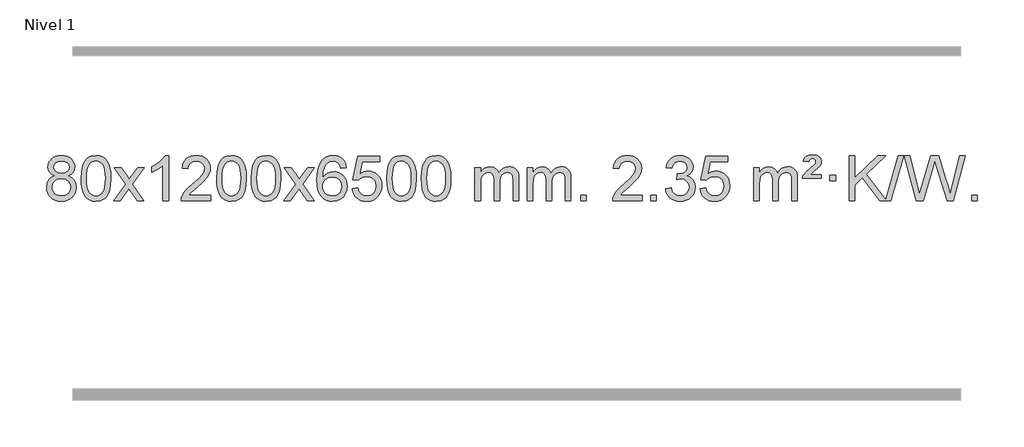
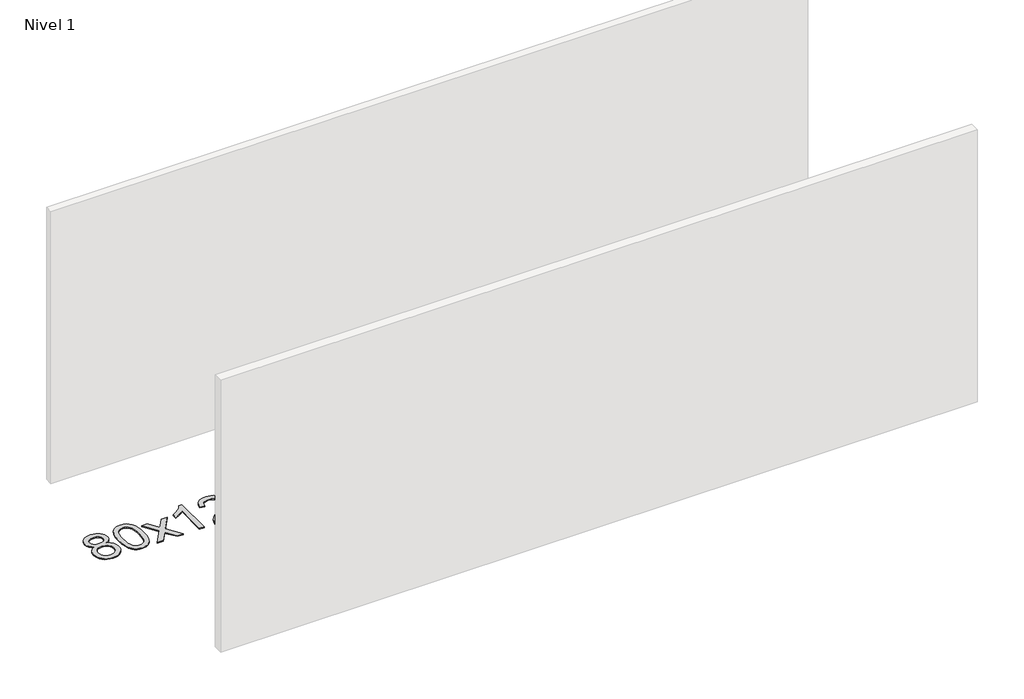
# One storey, part 13 of 16: 1 proxy.
"""IFC4 building model written with IfcOpenShell, lengths in millimetres."""

from ifc_helpers import new_model, si_unit, origin, origin_with_axes, place, context, project, spatial, polyline, outline, extrude, element, save

model = new_model("IFC4")

# Units and contexts
model_context = context("Model", 3, world=origin())
ifc_project = project(units=[si_unit("LENGTHUNIT", "METRE", prefix="MILLI")], contexts=[model_context])

# Site, building, storey
site = spatial("IfcSite", under=ifc_project)
building = spatial("IfcBuilding", under=site)
storey = spatial("IfcBuildingStorey", under=building, Name="Nivel 1", Elevation=0.0)

# Proxy
placement = place(None, origin())
element("IfcBuildingElementProxy", 1, Name="Texto de modelo 1", ObjectType="Texto de modelo 1", at=placement, inside=storey, context=model_context, shape_type="SweptSolid", body=[
    extrude(outline(polyline([(-390.6331687, -6178.2616447), (-417.5253426, -6165.0178929), (-436.3976889, -6147.0652515), (-447.5445134, -6124.7716026), (-451.2601215, -6098.5048281), (-449.2367706, -6078.0199324), (-443.1667176, -6059.2395565), (-433.0499628, -6042.1637006), (-418.886506, -6026.7923645), (-401.3569289, -6014.088173), (-381.1418132, -6005.0137504), (-358.241159, -5999.5690969), (-332.6549663, -5997.7542124), (-306.9461462, -5999.6120165), (-283.8738137, -6005.1854287), (-263.4379689, -6014.4744491), (-245.6386117, -6027.4790776), (-231.2176375, -6043.1508506), (-220.9169416, -6060.4413044), (-214.7365241, -6079.3504389), (-212.6763849, -6099.8782543), (-216.3429421, -6125.2989001), (-227.3426138, -6147.2124043), (-245.7980272, -6165.0546811), (-271.8318097, -6178.2616447), (-240.9174594, -6194.1909351), (-218.415344, -6217.6495436), (-204.6933456, -6247.5092989), (-200.1193462, -6282.6420295), (-202.3879518, -6307.6947933), (-209.1937687, -6330.6628926), (-220.5367969, -6351.5463272), (-236.4170363, -6370.3450971), (-256.0006212, -6385.88198), (-278.4536857, -6396.9797536), (-303.7762297, -6403.6384177), (-331.9682532, -6405.8579724), (-360.1602768, -6403.6292206), (-385.4828208, -6396.9429654), (-407.9358852, -6385.7992066), (-427.5194701, -6370.1979443), (-443.3997096, -6351.26735), (-454.7427377, -6330.135595), (-461.5485547, -6306.8026795), (-463.8171603, -6281.2686033), (-459.0592198, -6244.7747094), (-444.7853984, -6214.7555386), (-421.73146, -6192.2411605), (-390.6331687, -6178.2616447)]), holes=[polyline([(-401.0319665, -6099.9763561), (-396.5805943, -6121.902123), (-383.2264779, -6139.413306), (-361.3620246, -6150.8912243), (-331.379642, -6154.717197), (-302.0962352, -6150.9157497), (-280.5628758, -6139.5114079), (-267.3191239, -6122.5888361), (-262.90454, -6102.232699), (-267.4662767, -6081.1040098), (-281.151487, -6063.629615), (-302.979152, -6051.8941794), (-331.9682532, -6047.9823675), (-361.1412954, -6051.8083402), (-382.9321723, -6063.2862585), (-396.5070179, -6080.1107284), (-401.0319665, -6099.9763561)]), polyline([(-413.5890052, -6279.5027698), (-411.4920778, -6298.7184726), (-405.2012957, -6317.3210389), (-393.5884874, -6333.5446349), (-375.5254815, -6345.623427), (-353.8940201, -6353.1282197), (-331.5758458, -6355.6298173), (-297.3873457, -6350.3691048), (-283.493669, -6343.7932141), (-271.7337079, -6334.5869672), (-255.6940529, -6310.6869002), (-250.3475012, -6281.0723996), (-255.8657312, -6250.9551269), (-272.4204209, -6226.5277625), (-284.4992131, -6217.0854579), (-298.6626699, -6210.3409547), (-333.2435775, -6204.9453521), (-366.953831, -6210.2673783), (-380.6911578, -6216.919911), (-392.3499514, -6226.2334569), (-408.2792418, -6250.1948375), (-413.5890052, -6279.5027698)])]), origin_with_axes(), (0.0, 0.0, 1.0), 10.0),
    extrude(outline(polyline([(-156.1697105, -6201.9041943), (-152.4786278, -6137.5861588), (-141.4053797, -6086.2911459), (-123.0603309, -6047.2343407), (-111.2022679, -6032.0009605), (-97.5538459, -6019.6309284), (-82.0690796, -6010.0598651), (-64.7019837, -6003.2233914), (-24.3208034, -5997.7542124), (6.6303351, -6000.991574), (34.3441121, -6010.7036586), (57.5206778, -6026.5103217), (74.8601825, -6048.0314184), (87.9567815, -6075.0830078), (98.4046302, -6107.4811488), (105.2472353, -6148.6226186), (107.5281037, -6201.9041943), (103.8738092, -6265.8543477), (92.9109257, -6317.0267333), (74.6762415, -6356.1203266), (62.8457697, -6371.3996922), (49.2065447, -6383.8341036), (33.7033843, -6393.4695462), (16.2811061, -6400.3520052), (-24.3208034, -6405.8579724), (-51.9855294, -6403.4667394), (-76.5109958, -6396.2930405), (-97.8972024, -6384.3368757), (-116.1441494, -6367.5982449), (-133.6553324, -6337.3399508), (-146.1633202, -6299.6381776), (-153.6681129, -6254.4929255), (-156.1697105, -6201.9041943)]), holes=[polyline([(-105.9415554, -6201.8060924), (-104.4700274, -6245.4706195), (-100.0554435, -6280.8148822), (-92.6978036, -6307.8388804), (-82.3971077, -6326.5426142), (-69.9381708, -6339.2682656), (-56.1058078, -6348.3580165), (-40.9000186, -6353.8118671), (-24.3208034, -6355.6298173), (-7.7415881, -6353.8057357), (7.464201, -6348.3334911), (21.296564, -6339.2130833), (33.7555009, -6326.4445124), (44.0561968, -6307.7101217), (51.4138367, -6280.6922549), (55.8284206, -6245.3909118), (57.2999486, -6201.8060924), (55.8774716, -6159.2973278), (51.6100404, -6124.5753989), (44.4976552, -6097.6403055), (34.5403158, -6078.4920476), (22.2898454, -6065.1440625), (8.2980668, -6055.6097875), (-7.4350198, -6049.8892225), (-24.9094146, -6047.9823675), (-41.4027907, -6049.6623619), (-56.3510624, -6054.7023452), (-69.7542298, -6063.1023175), (-81.6122928, -6074.8622786), (-92.2563452, -6095.708925), (-99.8592397, -6123.8151094), (-104.4209765, -6159.1808319), (-105.9415554, -6201.8060924)])]), origin_with_axes(), (0.0, 0.0, 1.0), 10.0),
    extrude(outline(polyline([(132.6421812, -6399.579453), (239.9656219, -6251.2494325), (138.9207006, -6104.4890419), (199.3514497, -6104.4890419), (248.1080768, -6175.122385), (270.8677095, -6208.4770192), (290.5861845, -6181.2047007), (346.1118403, -6104.4890419), (406.5425894, -6104.4890419), (300.396371, -6251.2494325), (402.6185147, -6399.579453), (342.1877657, -6399.579453), (280.6778961, -6310.4048574), (269.3961816, -6294.1199477), (193.0729303, -6399.579453), (132.6421812, -6399.579453)])), origin_with_axes(), (0.0, 0.0, 1.0), 10.0),
    extrude(outline(polyline([(622.3666932, -6399.579453), (572.1385381, -6399.579453), (572.1385381, -6086.4382987), (551.1692644, -6103.3976587), (524.5591334, -6120.3324932), (471.682228, -6145.6918254), (471.682228, -6098.2105225), (511.1314406, -6076.7507395), (545.3076779, -6051.219729), (572.2489027, -6024.0700378), (589.9930776, -5997.7542124), (622.3666932, -5997.7542124), (622.3666932, -6399.579453)])), origin_with_axes(), (0.0, 0.0, 1.0), 10.0),
    extrude(outline(polyline([(999.0778563, -6349.3512979), (999.0778563, -6399.579453), (735.3800421, -6399.579453), (736.4836881, -6381.8965918), (740.7756447, -6364.9494945), (753.1610052, -6337.8856424), (771.2853248, -6311.6311307), (797.5030484, -6284.1503456), (834.1686206, -6253.4076736), (888.3699012, -6205.2641831), (920.8906695, -6169.7267824), (937.1510537, -6140.884834), (942.5711818, -6112.8277005), (937.4576221, -6087.6768347), (922.1169429, -6066.7688747), (898.535707, -6052.6789943), (868.7004772, -6047.9823675), (837.3691939, -6052.5686297), (813.0276686, -6066.3274163), (797.3191074, -6088.1796068), (791.8867166, -6117.0460807), (741.6585615, -6110.7675613), (745.9781093, -6084.838012), (753.8354555, -6062.1826125), (765.2306003, -6042.8013627), (780.1635437, -6026.6942627), (798.290929, -6014.0329907), (819.2693997, -6004.989225), (843.098956, -5999.5629655), (869.7795977, -5997.7542124), (896.6993627, -5999.7653006), (920.6576776, -6005.7985654), (941.6545425, -6015.8540066), (959.6899573, -6029.9316242), (974.1753109, -6046.9890861), (984.521992, -6065.9840598), (990.7300007, -6086.9165453), (992.7993369, -6109.7865427), (990.5675194, -6133.8092369), (983.8720671, -6157.4149983), (971.9894787, -6181.4254299), (954.1962528, -6206.6621347), (925.832551, -6236.7916701), (882.2385346, -6275.4805933), (824.4565359, -6323.795762), (801.795005, -6349.3512979), (999.0778563, -6349.3512979)])), origin_with_axes(), (0.0, 0.0, 1.0), 10.0),
    extrude(outline(polyline([(1049.3060113, -6201.9041943), (1052.997094, -6137.5861588), (1064.0703421, -6086.2911459), (1082.4153909, -6047.2343407), (1094.2734539, -6032.0009605), (1107.9218759, -6019.6309284), (1123.4066422, -6010.0598651), (1140.7737381, -6003.2233914), (1181.1549184, -5997.7542124), (1212.1060569, -6000.991574), (1239.8198339, -6010.7036586), (1262.9963996, -6026.5103217), (1280.3359043, -6048.0314184), (1293.4325033, -6075.0830078), (1303.880352, -6107.4811488), (1310.7229571, -6148.6226186), (1313.0038255, -6201.9041943), (1309.349531, -6265.8543477), (1298.3866475, -6317.0267333), (1280.1519633, -6356.1203266), (1268.3214915, -6371.3996922), (1254.6822665, -6383.8341036), (1239.1791061, -6393.4695462), (1221.7568279, -6400.3520052), (1181.1549184, -6405.8579724), (1153.4901924, -6403.4667394), (1128.964726, -6396.2930405), (1107.5785194, -6384.3368757), (1089.3315724, -6367.5982449), (1071.8203894, -6337.3399508), (1059.3124016, -6299.6381776), (1051.8076089, -6254.4929255), (1049.3060113, -6201.9041943)]), holes=[polyline([(1099.5341664, -6201.8060924), (1101.0056944, -6245.4706195), (1105.4202783, -6280.8148822), (1112.7779182, -6307.8388804), (1123.0786141, -6326.5426142), (1135.537551, -6339.2682656), (1149.369914, -6348.3580165), (1164.5757032, -6353.8118671), (1181.1549184, -6355.6298173), (1197.7341337, -6353.8057357), (1212.9399228, -6348.3334911), (1226.7722858, -6339.2130833), (1239.2312227, -6326.4445124), (1249.5319186, -6307.7101217), (1256.8895585, -6280.6922549), (1261.3041424, -6245.3909118), (1262.7756704, -6201.8060924), (1261.3531934, -6159.2973278), (1257.0857622, -6124.5753989), (1249.973377, -6097.6403055), (1240.0160376, -6078.4920476), (1227.7655672, -6065.1440625), (1213.7737886, -6055.6097875), (1198.040702, -6049.8892225), (1180.5663072, -6047.9823675), (1164.0729311, -6049.6623619), (1149.1246594, -6054.7023452), (1135.721492, -6063.1023175), (1123.863429, -6074.8622786), (1113.2193766, -6095.708925), (1105.6164821, -6123.8151094), (1101.0547453, -6159.1808319), (1099.5341664, -6201.8060924)])]), origin_with_axes(), (0.0, 0.0, 1.0), 10.0),
    extrude(outline(polyline([(1356.9534612, -6201.9041943), (1360.6445439, -6137.5861588), (1371.7177919, -6086.2911459), (1390.0628407, -6047.2343407), (1401.9209037, -6032.0009605), (1415.5693257, -6019.6309284), (1431.054092, -6010.0598651), (1448.4211879, -6003.2233914), (1488.8023682, -5997.7542124), (1519.7535068, -6000.991574), (1547.4672837, -6010.7036586), (1570.6438494, -6026.5103217), (1587.9833541, -6048.0314184), (1601.0799532, -6075.0830078), (1611.5278018, -6107.4811488), (1618.3704069, -6148.6226186), (1620.6512753, -6201.9041943), (1616.9969808, -6265.8543477), (1606.0340974, -6317.0267333), (1587.7994131, -6356.1203266), (1575.9689413, -6371.3996922), (1562.3297163, -6383.8341036), (1546.8265559, -6393.4695462), (1529.4042778, -6400.3520052), (1488.8023682, -6405.8579724), (1461.1376422, -6403.4667394), (1436.6121759, -6396.2930405), (1415.2259692, -6384.3368757), (1396.9790222, -6367.5982449), (1379.4678393, -6337.3399508), (1366.9598514, -6299.6381776), (1359.4550587, -6254.4929255), (1356.9534612, -6201.9041943)]), holes=[polyline([(1407.1816162, -6201.8060924), (1408.6531442, -6245.4706195), (1413.0677282, -6280.8148822), (1420.4253681, -6307.8388804), (1430.7260639, -6326.5426142), (1443.1850008, -6339.2682656), (1457.0173639, -6348.3580165), (1472.223153, -6353.8118671), (1488.8023682, -6355.6298173), (1505.3815835, -6353.8057357), (1520.5873726, -6348.3334911), (1534.4197356, -6339.2130833), (1546.8786725, -6326.4445124), (1557.1793684, -6307.7101217), (1564.5370083, -6280.6922549), (1568.9515923, -6245.3909118), (1570.4231202, -6201.8060924), (1569.0006432, -6159.2973278), (1564.733212, -6124.5753989), (1557.6208268, -6097.6403055), (1547.6634875, -6078.4920476), (1535.413017, -6065.1440625), (1521.4212385, -6055.6097875), (1505.6881518, -6049.8892225), (1488.213757, -6047.9823675), (1471.7203809, -6049.6623619), (1456.7721092, -6054.7023452), (1443.3689418, -6063.1023175), (1431.5108789, -6074.8622786), (1420.8668265, -6095.708925), (1413.2639319, -6123.8151094), (1408.7021952, -6159.1808319), (1407.1816162, -6201.8060924)])]), origin_with_axes(), (0.0, 0.0, 1.0), 10.0),
    extrude(outline(polyline([(1645.7653528, -6399.579453), (1753.0887936, -6251.2494325), (1652.0438722, -6104.4890419), (1712.4746213, -6104.4890419), (1761.2312484, -6175.122385), (1783.9908812, -6208.4770192), (1803.7093561, -6181.2047007), (1859.2350119, -6104.4890419), (1919.665761, -6104.4890419), (1813.5195426, -6251.2494325), (1915.7416864, -6399.579453), (1855.3109373, -6399.579453), (1793.8010677, -6310.4048574), (1782.5193532, -6294.1199477), (1706.1961019, -6399.579453), (1645.7653528, -6399.579453)])), origin_with_axes(), (0.0, 0.0, 1.0), 10.0),
    extrude(outline(polyline([(2204.5535781, -6104.4890419), (2154.325423, -6110.7675613), (2146.2320191, -6085.874213), (2135.2936611, -6068.8780648), (2112.5095029, -6053.2062918), (2084.9674042, -6047.9823675), (2061.6191602, -6051.0235253), (2039.6443423, -6060.1469988), (2020.771996, -6079.3627017), (2005.3577404, -6105.8134171), (1994.9466799, -6143.227016), (1991.083919, -6195.3313693), (2011.2315896, -6171.8237098), (2035.3769112, -6155.2567573), (2062.1709832, -6145.434308), (2090.2649049, -6142.1601582), (2114.3979638, -6144.398107), (2136.6670872, -6151.1119534), (2157.0722752, -6162.3016975), (2175.6135278, -6177.9673391), (2191.021652, -6197.1769106), (2202.027455, -6218.9984443), (2208.6309368, -6243.4319401), (2210.8320974, -6270.4773982), (2206.6872936, -6306.4439945), (2194.2528822, -6339.786366), (2174.5589327, -6368.0642287), (2148.6355148, -6388.8372987), (2117.6598508, -6401.602804), (2082.8091631, -6405.8579724), (2052.8666344, -6403.0375437), (2025.8242421, -6394.5762579), (2001.6819861, -6380.4741147), (1980.4398666, -6360.7311143), (1963.1218217, -6334.5133908), (1950.7517896, -6300.9870783), (1943.3297703, -6260.1521768), (1940.8557639, -6212.0086864), (1943.6026161, -6158.0342663), (1951.8431728, -6111.9693092), (1965.577434, -6073.8138149), (1984.8053996, -6043.5677835), (2005.6459146, -6023.5243462), (2029.8096303, -6009.2076052), (2057.2965468, -6000.6175606), (2088.1066638, -5997.7542124), (2111.24031, -5999.5261773), (2132.1789269, -6004.8420722), (2150.9225145, -6013.7018969), (2167.4710729, -6026.1056515), (2181.3770124, -6041.6364031), (2192.192743, -6059.8772186), (2199.9182649, -6080.8280983), (2204.5535781, -6104.4890419)]), holes=[polyline([(1991.083919, -6269.6925832), (1993.9901867, -6291.9494439), (2002.70899, -6313.2007605), (2016.2470475, -6331.472233), (2033.6110776, -6344.7895612), (2054.5680886, -6352.9197533), (2078.8850885, -6355.6298173), (2112.0312563, -6350.0134855), (2125.9463927, -6342.9930708), (2138.0895643, -6333.1644901), (2147.9396047, -6320.9262824), (2154.9753478, -6306.6769865), (2160.6039424, -6272.1451299), (2155.0489242, -6238.9989621), (2148.1051516, -6225.3781312), (2138.3838699, -6213.725469), (2126.2039101, -6204.3904634), (2111.8841035, -6197.7226022), (2076.8249493, -6192.3883133), (2043.7278325, -6197.7226022), (2016.0508437, -6213.725469), (2005.1278142, -6225.2248471), (1997.3256502, -6238.3858254), (1992.6443518, -6253.2084042), (1991.083919, -6269.6925832)])]), origin_with_axes(), (0.0, 0.0, 1.0), 10.0),
    extrude(outline(polyline([(2254.7817331, -6292.8446235), (2305.0098882, -6286.5661041), (2314.2314635, -6316.7201649), (2330.3201695, -6338.3148381), (2353.2024296, -6351.3010725), (2382.8046674, -6355.6298173), (2401.9345312, -6354.1245668), (2418.808052, -6349.6088153), (2433.42523, -6342.0825628), (2445.786065, -6331.5458094), (2455.6146457, -6318.519721), (2462.6350604, -6303.5254641), (2468.2513922, -6267.6324441), (2462.9906797, -6233.8363514), (2456.414789, -6219.9181493), (2447.2085421, -6207.9865099), (2435.341282, -6198.4154467), (2420.7823521, -6191.5789729), (2383.5894824, -6186.1097939), (2359.2234316, -6188.2925604), (2339.4926939, -6194.8408599), (2323.7350818, -6204.8717757), (2311.2884076, -6217.5023908), (2261.0602525, -6211.2238715), (2305.0098882, -6004.0327318), (2499.6439891, -6004.0327318), (2499.6439891, -6054.2608869), (2345.6240605, -6054.2608869), (2324.139752, -6164.919791), (2341.8655328, -6152.2155994), (2360.0205092, -6143.1411769), (2378.6046813, -6137.6965234), (2397.6180491, -6135.8816388), (2422.0791361, -6138.1318504), (2444.547529, -6144.882485), (2465.0232277, -6156.1335427), (2483.5062323, -6171.8850234), (2498.8070576, -6191.1743027), (2509.7362185, -6213.038756), (2516.2937151, -6237.4783832), (2518.4795473, -6264.4931844), (2516.5113786, -6290.5147042), (2510.6068726, -6314.7213394), (2500.7660292, -6337.1130902), (2486.9888485, -6357.6899565), (2466.1176766, -6378.7634634), (2441.7638885, -6393.8159684), (2413.9274842, -6402.8474714), (2382.6084637, -6405.8579724), (2356.6881115, -6403.9235262), (2333.2754882, -6398.1201877), (2312.3705938, -6388.447957), (2293.9734283, -6374.9068338), (2278.6664717, -6358.1712688), (2267.0322036, -6338.915712), (2259.0706241, -6317.1401636), (2254.7817331, -6292.8446235)])), origin_with_axes(), (0.0, 0.0, 1.0), 10.0),
    extrude(outline(polyline([(2562.429183, -6201.9041943), (2566.1202656, -6137.5861588), (2577.1935137, -6086.2911459), (2595.5385625, -6047.2343407), (2607.3966255, -6032.0009605), (2621.0450475, -6019.6309284), (2636.5298138, -6010.0598651), (2653.8969097, -6003.2233914), (2694.27809, -5997.7542124), (2725.2292286, -6000.991574), (2752.9430055, -6010.7036586), (2776.1195712, -6026.5103217), (2793.4590759, -6048.0314184), (2806.555675, -6075.0830078), (2817.0035236, -6107.4811488), (2823.8461287, -6148.6226186), (2826.1269971, -6201.9041943), (2822.4727026, -6265.8543477), (2811.5098192, -6317.0267333), (2793.2751349, -6356.1203266), (2781.4446631, -6371.3996922), (2767.8054381, -6383.8341036), (2752.3022777, -6393.4695462), (2734.8799996, -6400.3520052), (2694.27809, -6405.8579724), (2666.613364, -6403.4667394), (2642.0878976, -6396.2930405), (2620.701691, -6384.3368757), (2602.454744, -6367.5982449), (2584.9435611, -6337.3399508), (2572.4355732, -6299.6381776), (2564.9307805, -6254.4929255), (2562.429183, -6201.9041943)]), holes=[polyline([(2612.657338, -6201.8060924), (2614.128866, -6245.4706195), (2618.54345, -6280.8148822), (2625.9010899, -6307.8388804), (2636.2017857, -6326.5426142), (2648.6607226, -6339.2682656), (2662.4930856, -6348.3580165), (2677.6988748, -6353.8118671), (2694.27809, -6355.6298173), (2710.8573053, -6353.8057357), (2726.0630944, -6348.3334911), (2739.8954574, -6339.2130833), (2752.3543943, -6326.4445124), (2762.6550902, -6307.7101217), (2770.0127301, -6280.6922549), (2774.427314, -6245.3909118), (2775.898842, -6201.8060924), (2774.476365, -6159.2973278), (2770.2089338, -6124.5753989), (2763.0965486, -6097.6403055), (2753.1392093, -6078.4920476), (2740.8887388, -6065.1440625), (2726.8969603, -6055.6097875), (2711.1638736, -6049.8892225), (2693.6894788, -6047.9823675), (2677.1961027, -6049.6623619), (2662.247831, -6054.7023452), (2648.8446636, -6063.1023175), (2636.9866007, -6074.8622786), (2626.3425483, -6095.708925), (2618.7396537, -6123.8151094), (2614.1779169, -6159.1808319), (2612.657338, -6201.8060924)])]), origin_with_axes(), (0.0, 0.0, 1.0), 10.0),
    extrude(outline(polyline([(2870.0766328, -6201.9041943), (2873.7677155, -6137.5861588), (2884.8409635, -6086.2911459), (2903.1860124, -6047.2343407), (2915.0440753, -6032.0009605), (2928.6924974, -6019.6309284), (2944.1772637, -6010.0598651), (2961.5443595, -6003.2233914), (3001.9255399, -5997.7542124), (3032.8766784, -6000.991574), (3060.5904554, -6010.7036586), (3083.7670211, -6026.5103217), (3101.1065258, -6048.0314184), (3114.2031248, -6075.0830078), (3124.6509735, -6107.4811488), (3131.4935786, -6148.6226186), (3133.7744469, -6201.9041943), (3130.1201525, -6265.8543477), (3119.157269, -6317.0267333), (3100.9225848, -6356.1203266), (3089.0921129, -6371.3996922), (3075.452888, -6383.8341036), (3059.9497276, -6393.4695462), (3042.5274494, -6400.3520052), (3001.9255399, -6405.8579724), (2974.2608138, -6403.4667394), (2949.7353475, -6396.2930405), (2928.3491408, -6384.3368757), (2910.1021939, -6367.5982449), (2892.5910109, -6337.3399508), (2880.0830231, -6299.6381776), (2872.5782304, -6254.4929255), (2870.0766328, -6201.9041943)]), holes=[polyline([(2920.3047879, -6201.8060924), (2921.7763158, -6245.4706195), (2926.1908998, -6280.8148822), (2933.5485397, -6307.8388804), (2943.8492356, -6326.5426142), (2956.3081725, -6339.2682656), (2970.1405355, -6348.3580165), (2985.3463246, -6353.8118671), (3001.9255399, -6355.6298173), (3018.5047551, -6353.8057357), (3033.7105442, -6348.3334911), (3047.5429073, -6339.2130833), (3060.0018442, -6326.4445124), (3070.30254, -6307.7101217), (3077.6601799, -6280.6922549), (3082.0747639, -6245.3909118), (3083.5462919, -6201.8060924), (3082.1238148, -6159.2973278), (3077.8563837, -6124.5753989), (3070.7439984, -6097.6403055), (3060.7866591, -6078.4920476), (3048.5361887, -6065.1440625), (3034.5444101, -6055.6097875), (3018.8113234, -6049.8892225), (3001.3369287, -6047.9823675), (2984.8435526, -6049.6623619), (2969.8952808, -6054.7023452), (2956.4921135, -6063.1023175), (2944.6340505, -6074.8622786), (2933.9899981, -6095.708925), (2926.3871035, -6123.8151094), (2921.8253668, -6159.1808319), (2920.3047879, -6201.8060924)])]), origin_with_axes(), (0.0, 0.0, 1.0), 10.0),
    extrude(outline(polyline([(3347.244106, -6399.579453), (3347.244106, -6104.4890419), (3397.4722611, -6104.4890419), (3397.4722611, -6153.0494653), (3412.5799483, -6130.7435537), (3432.0041177, -6113.2691589), (3455.0825815, -6101.9751816), (3481.1531522, -6098.2105225), (3509.0876584, -6102.048758), (3531.4794092, -6113.5634645), (3548.2057772, -6131.9943524), (3559.1441352, -6156.5811324), (3577.4523959, -6131.0439906), (3598.3358304, -6112.803175), (3621.794439, -6101.8586857), (3647.8282215, -6098.2105225), (3667.9360383, -6099.7280358), (3685.585177, -6104.2805755), (3700.7756377, -6111.8681416), (3713.5074204, -6122.4907342), (3723.5720587, -6136.2709806), (3730.761086, -6153.3315082), (3735.0745024, -6173.6723168), (3736.5123078, -6197.2934066), (3736.5123078, -6399.579453), (3686.2841528, -6399.579453), (3686.2841528, -6218.875817), (3685.1191931, -6193.8230531), (3681.6243142, -6176.9372695), (3675.0760146, -6165.3735121), (3664.7507933, -6156.2868268), (3651.4702533, -6150.4007149), (3636.0559977, -6148.4386776), (3608.8449928, -6153.4663982), (3586.6617085, -6168.54956), (3578.0563355, -6180.1194488), (3571.9096405, -6194.7182326), (3566.9922845, -6233.0024856), (3566.9922845, -6399.579453), (3516.7641294, -6399.579453), (3516.7641294, -6213.2840106), (3513.8578616, -6184.8835206), (3505.1390583, -6164.6254854), (3489.7983791, -6152.4853796), (3467.0264836, -6148.4386776), (3447.6758907, -6151.1364789), (3429.8458767, -6159.2298828), (3415.1305968, -6172.5226856), (3405.1242066, -6190.8186835), (3399.3852475, -6216.2025411), (3397.4722611, -6250.7589232), (3397.4722611, -6399.579453), (3347.244106, -6399.579453)])), origin_with_axes(), (0.0, 0.0, 1.0), 10.0),
    extrude(outline(polyline([(3811.8545404, -6399.579453), (3811.8545404, -6104.4890419), (3862.0826955, -6104.4890419), (3862.0826955, -6153.0494653), (3877.1903828, -6130.7435537), (3896.6145521, -6113.2691589), (3919.693016, -6101.9751816), (3945.7635867, -6098.2105225), (3973.6980929, -6102.048758), (3996.0898436, -6113.5634645), (4012.8162117, -6131.9943524), (4023.7545697, -6156.5811324), (4042.0628303, -6131.0439906), (4062.9462649, -6112.803175), (4086.4048734, -6101.8586857), (4112.438656, -6098.2105225), (4132.5464727, -6099.7280358), (4150.1956114, -6104.2805755), (4165.3860721, -6111.8681416), (4178.1178548, -6122.4907342), (4188.1824931, -6136.2709806), (4195.3715204, -6153.3315082), (4199.6849368, -6173.6723168), (4201.1227423, -6197.2934066), (4201.1227423, -6399.579453), (4150.8945872, -6399.579453), (4150.8945872, -6218.875817), (4149.7296276, -6193.8230531), (4146.2347486, -6176.9372695), (4139.6864491, -6165.3735121), (4129.3612278, -6156.2868268), (4116.0806877, -6150.4007149), (4100.6664321, -6148.4386776), (4073.4554272, -6153.4663982), (4051.2721429, -6168.54956), (4042.6667699, -6180.1194488), (4036.5200749, -6194.7182326), (4031.6027189, -6233.0024856), (4031.6027189, -6399.579453), (3981.3745638, -6399.579453), (3981.3745638, -6213.2840106), (3978.4682961, -6184.8835206), (3969.7494928, -6164.6254854), (3954.4088136, -6152.4853796), (3931.6369181, -6148.4386776), (3912.2863251, -6151.1364789), (3894.4563111, -6159.2298828), (3879.7410313, -6172.5226856), (3869.734641, -6190.8186835), (3863.9956819, -6216.2025411), (3862.0826955, -6250.7589232), (3862.0826955, -6399.579453), (3811.8545404, -6399.579453)])), origin_with_axes(), (0.0, 0.0, 1.0), 10.0),
    extrude(outline(polyline([(4289.0220137, -6399.579453), (4289.0220137, -6349.3512979), (4339.2501687, -6349.3512979), (4339.2501687, -6399.579453), (4289.0220137, -6399.579453)])), origin_with_axes(), (0.0, 0.0, 1.0), 10.0),
    extrude(outline(polyline([(4835.2532001, -6349.3512979), (4835.2532001, -6399.579453), (4571.555386, -6399.579453), (4572.6590319, -6381.8965918), (4576.9509885, -6364.9494945), (4589.3363491, -6337.8856424), (4607.4606687, -6311.6311307), (4633.6783922, -6284.1503456), (4670.3439644, -6253.4076736), (4724.545245, -6205.2641831), (4757.0660134, -6169.7267824), (4773.3263976, -6140.884834), (4778.7465256, -6112.8277005), (4773.6329659, -6087.6768347), (4758.2922867, -6066.7688747), (4734.7110508, -6052.6789943), (4704.875821, -6047.9823675), (4673.5445377, -6052.5686297), (4649.2030124, -6066.3274163), (4633.4944512, -6088.1796068), (4628.0620604, -6117.0460807), (4577.8339053, -6110.7675613), (4582.1534531, -6084.838012), (4590.0107994, -6062.1826125), (4601.4059442, -6042.8013627), (4616.3388875, -6026.6942627), (4634.4662728, -6014.0329907), (4655.4447436, -6004.989225), (4679.2742998, -5999.5629655), (4705.9549415, -5997.7542124), (4732.8747065, -5999.7653006), (4756.8330215, -6005.7985654), (4777.8298863, -6015.8540066), (4795.8653011, -6029.9316242), (4810.3506547, -6046.9890861), (4820.6973358, -6065.9840598), (4826.9053445, -6086.9165453), (4828.9746807, -6109.7865427), (4826.7428633, -6133.8092369), (4820.047411, -6157.4149983), (4808.1648225, -6181.4254299), (4790.3715967, -6206.6621347), (4762.0078949, -6236.7916701), (4718.4138784, -6275.4805933), (4660.6318797, -6323.795762), (4637.9703488, -6349.3512979), (4835.2532001, -6349.3512979)])), origin_with_axes(), (0.0, 0.0, 1.0), 10.0),
    extrude(outline(polyline([(4910.5954327, -6399.579453), (4910.5954327, -6349.3512979), (4960.8235878, -6349.3512979), (4960.8235878, -6399.579453), (4910.5954327, -6399.579453)])), origin_with_axes(), (0.0, 0.0, 1.0), 10.0),
    extrude(outline(polyline([(5042.4443398, -6292.8446235), (5092.6724949, -6286.5661041), (5103.9174212, -6318.1303793), (5120.3862718, -6339.4430095), (5142.8883872, -6351.5831154), (5172.2331077, -6355.6298173), (5206.6668624, -6350.0625364), (5220.9406838, -6343.1034354), (5233.2524679, -6333.3606939), (5250.2486161, -6308.4428201), (5255.9139988, -6278.2274455), (5250.2976671, -6249.5449126), (5233.4486717, -6226.2825078), (5207.9421867, -6210.8682522), (5176.353386, -6205.730167), (5141.1348164, -6211.2238715), (5146.7266227, -6160.9957164), (5154.7709756, -6161.5843276), (5184.8637228, -6157.979084), (5211.7681594, -6147.1633534), (5222.8414075, -6138.9841103), (5230.7508704, -6128.8673555), (5235.4965481, -6116.8130888), (5237.0784407, -6102.8213102), (5232.4921785, -6081.1285352), (5218.7333919, -6063.5315131), (5197.7395927, -6051.8696539), (5171.4482928, -6047.9823675), (5145.1079419, -6051.9064421), (5123.5745824, -6063.6786659), (5107.8537585, -6083.299039), (5098.9510142, -6110.7675613), (5048.7228592, -6104.4890419), (5054.6764161, -6080.5092672), (5063.5117154, -6059.3867093), (5075.2287569, -6041.1213683), (5089.8275408, -6025.713244), (5106.8482144, -6013.4811677), (5125.8309254, -6004.7439703), (5146.7756736, -5999.5016519), (5169.6824592, -5997.7542124), (5201.2589971, -6001.2000404), (5230.2603611, -6011.5375245), (5254.712251, -6027.8469596), (5272.6403669, -6049.2086408), (5283.6400386, -6073.8199463), (5287.3065958, -6099.8782543), (5283.8239795, -6124.1584659), (5273.3761309, -6146.1823347), (5256.1102026, -6164.9443165), (5232.1733474, -6179.4388671), (5263.6149953, -6192.1430586), (5286.9141883, -6213.77452), (5301.3351625, -6243.1560286), (5306.1421539, -6279.1103623), (5303.7386582, -6304.5923218), (5296.5281711, -6328.0631931), (5284.5106926, -6349.5229762), (5267.6862227, -6368.971671), (5247.1890642, -6385.1094278), (5224.1535199, -6396.636397), (5198.5795899, -6403.5525785), (5170.4672741, -6405.8579724), (5145.058891, -6403.8898037), (5121.9068507, -6397.9852977), (5101.0111534, -6388.1444543), (5082.371799, -6374.3672736), (5066.7429456, -6357.4630959), (5054.8787512, -6338.2412617), (5046.779216, -6316.7017708), (5042.4443398, -6292.8446235)])), origin_with_axes(), (0.0, 0.0, 1.0), 10.0),
    extrude(outline(polyline([(5350.0917896, -6292.8446235), (5400.3199447, -6286.5661041), (5409.54152, -6316.7201649), (5425.630226, -6338.3148381), (5448.5124861, -6351.3010725), (5478.1147239, -6355.6298173), (5497.2445877, -6354.1245668), (5514.1181085, -6349.6088153), (5528.7352865, -6342.0825628), (5541.0961215, -6331.5458094), (5550.9247021, -6318.519721), (5557.9451169, -6303.5254641), (5563.5614487, -6267.6324441), (5558.3007361, -6233.8363514), (5551.7248455, -6219.9181493), (5542.5185986, -6207.9865099), (5530.6513385, -6198.4154467), (5516.0924086, -6191.5789729), (5478.8995389, -6186.1097939), (5454.533488, -6188.2925604), (5434.8027504, -6194.8408599), (5419.0451382, -6204.8717757), (5406.5984641, -6217.5023908), (5356.370309, -6211.2238715), (5400.3199447, -6004.0327318), (5594.9540456, -6004.0327318), (5594.9540456, -6054.2608869), (5440.934117, -6054.2608869), (5419.4498084, -6164.919791), (5437.1755892, -6152.2155994), (5455.3305657, -6143.1411769), (5473.9147378, -6137.6965234), (5492.9281056, -6135.8816388), (5517.3891926, -6138.1318504), (5539.8575855, -6144.882485), (5560.3332842, -6156.1335427), (5578.8162887, -6171.8850234), (5594.1171141, -6191.1743027), (5605.046275, -6213.038756), (5611.6037716, -6237.4783832), (5613.7896038, -6264.4931844), (5611.8214351, -6290.5147042), (5605.9169291, -6314.7213394), (5596.0760857, -6337.1130902), (5582.298905, -6357.6899565), (5561.4277331, -6378.7634634), (5537.073945, -6393.8159684), (5509.2375407, -6402.8474714), (5477.9185202, -6405.8579724), (5451.998168, -6403.9235262), (5428.5855447, -6398.1201877), (5407.6806503, -6388.447957), (5389.2834848, -6374.9068338), (5373.9765281, -6358.1712688), (5362.3422601, -6338.915712), (5354.3806805, -6317.1401636), (5350.0917896, -6292.8446235)])), origin_with_axes(), (0.0, 0.0, 1.0), 10.0),
    extrude(outline(polyline([(5827.2592628, -6399.579453), (5827.2592628, -6104.4890419), (5877.4874179, -6104.4890419), (5877.4874179, -6153.0494653), (5892.5951052, -6130.7435537), (5912.0192745, -6113.2691589), (5935.0977383, -6101.9751816), (5961.1683091, -6098.2105225), (5989.1028152, -6102.048758), (6011.494566, -6113.5634645), (6028.2209341, -6131.9943524), (6039.159292, -6156.5811324), (6057.4675527, -6131.0439906), (6078.3509873, -6112.803175), (6101.8095958, -6101.8586857), (6127.8433783, -6098.2105225), (6147.9511951, -6099.7280358), (6165.6003338, -6104.2805755), (6180.7907945, -6111.8681416), (6193.5225772, -6122.4907342), (6203.5872155, -6136.2709806), (6210.7762428, -6153.3315082), (6215.0896592, -6173.6723168), (6216.5274647, -6197.2934066), (6216.5274647, -6399.579453), (6166.2993096, -6399.579453), (6166.2993096, -6218.875817), (6165.1343499, -6193.8230531), (6161.639471, -6176.9372695), (6155.0911715, -6165.3735121), (6144.7659501, -6156.2868268), (6131.4854101, -6150.4007149), (6116.0711545, -6148.4386776), (6088.8601496, -6153.4663982), (6066.6768653, -6168.54956), (6058.0714923, -6180.1194488), (6051.9247973, -6194.7182326), (6047.0074413, -6233.0024856), (6047.0074413, -6399.579453), (5996.7792862, -6399.579453), (5996.7792862, -6213.2840106), (5993.8730184, -6184.8835206), (5985.1542152, -6164.6254854), (5969.813536, -6152.4853796), (5947.0416405, -6148.4386776), (5927.6910475, -6151.1364789), (5909.8610335, -6159.2298828), (5895.1457537, -6172.5226856), (5885.1393634, -6190.8186835), (5879.4004043, -6216.2025411), (5877.4874179, -6250.7589232), (5877.4874179, -6399.579453), (5827.2592628, -6399.579453)])), origin_with_axes(), (0.0, 0.0, 1.0), 10.0),
    extrude(outline(polyline([(6260.4771003, -6198.6668327), (6264.3030731, -6182.8479069), (6272.6417317, -6166.9799302), (6294.1505656, -6141.8413272), (6326.1072483, -6114.1030247), (6370.2530877, -6076.726214), (6377.3899984, -6065.1992448), (6379.7689686, -6053.3779701), (6377.8805077, -6041.2869152), (6372.215125, -6031.5012541), (6362.8463969, -6025.026531), (6349.8478997, -6022.8682899), (6337.4134883, -6024.4869707), (6328.5597949, -6029.343013), (6322.1341227, -6038.8098431), (6316.9837748, -6054.2608869), (6266.7556197, -6047.9823675), (6277.5958759, -6022.7701881), (6294.224142, -6005.2099542), (6317.9893189, -5994.9092583), (6350.2403072, -5991.475693), (6386.0229626, -5995.6082341), (6410.7691581, -6008.0058573), (6425.1901323, -6026.3386434), (6429.9971237, -6048.2766731), (6425.9013708, -6071.1834586), (6413.6141122, -6092.8149199), (6393.0862969, -6112.6314968), (6356.6169284, -6140.6886303), (6331.0123416, -6167.2742358), (6429.9971237, -6167.2742358), (6429.9971237, -6198.6668327), (6260.4771003, -6198.6668327)])), origin_with_axes(), (0.0, 0.0, 1.0), 10.0),
    extrude(outline(polyline([(6505.3393563, -6223.7809102), (6505.3393563, -6173.5527552), (6555.5675114, -6173.5527552), (6555.5675114, -6223.7809102), (6505.3393563, -6223.7809102)])), origin_with_axes(), (0.0, 0.0, 1.0), 10.0),
    extrude(outline(polyline([(6946.2091394, -6399.579453), (6792.7778219, -6196.9009991), (6725.0875348, -6261.4520265), (6725.0875348, -6399.579453), (6674.8593797, -6399.579453), (6674.8593797, -5997.7542124), (6725.0875348, -5997.7542124), (6725.0875348, -6194.4484525), (6931.1014521, -5997.7542124), (7001.3423877, -5997.7542124), (6828.388799, -6162.9577537), (7003.0424089, -6393.5349332), (7114.3557366, -5997.7542124), (7159.6787984, -5997.7542124), (7046.6654495, -6399.579453), (7007.6209071, -6399.579453), (7001.3423877, -6399.579453), (6946.2091394, -6399.579453)])), origin_with_axes(), (0.0, 0.0, 1.0), 10.0),
    extrude(outline(polyline([(7274.1636753, -6399.579453), (7164.5838917, -5997.7542124), (7216.3816766, -5997.7542124), (7279.9516854, -6261.844434), (7299.5720585, -6343.3670841), (7320.5658576, -6271.2622131), (7400.2245723, -5997.7542124), (7474.8800919, -5997.7542124), (7532.7601925, -6196.0180823), (7557.5554389, -6269.5944814), (7575.8269114, -6343.3670841), (7594.8586732, -6264.1988788), (7659.0172932, -5997.7542124), (7710.8150781, -5997.7542124), (7601.1371926, -6399.579453), (7547.4754723, -6399.579453), (7451.1394405, -6089.5775584), (7437.6994849, -6046.3146358), (7422.5917976, -6098.4067263), (7334.7906281, -6399.579453), (7274.1636753, -6399.579453)])), origin_with_axes(), (0.0, 0.0, 1.0), 10.0),
    extrude(outline(polyline([(7767.3217526, -6399.579453), (7767.3217526, -6349.3512979), (7817.5499077, -6349.3512979), (7817.5499077, -6399.579453), (7767.3217526, -6399.579453)])), origin_with_axes(), (0.0, 0.0, 1.0), 10.0),
])

save(model, "model.ifc")
